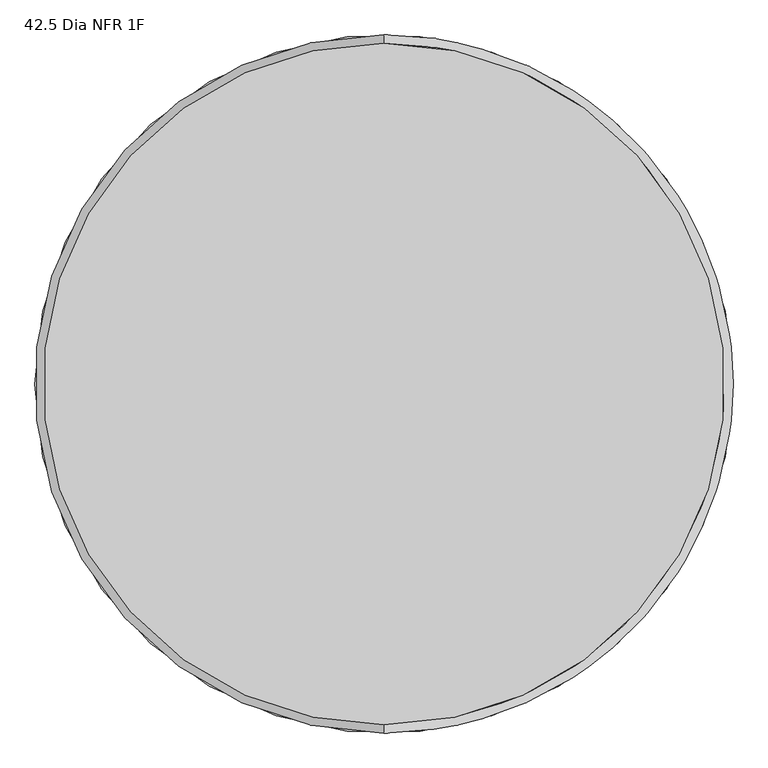
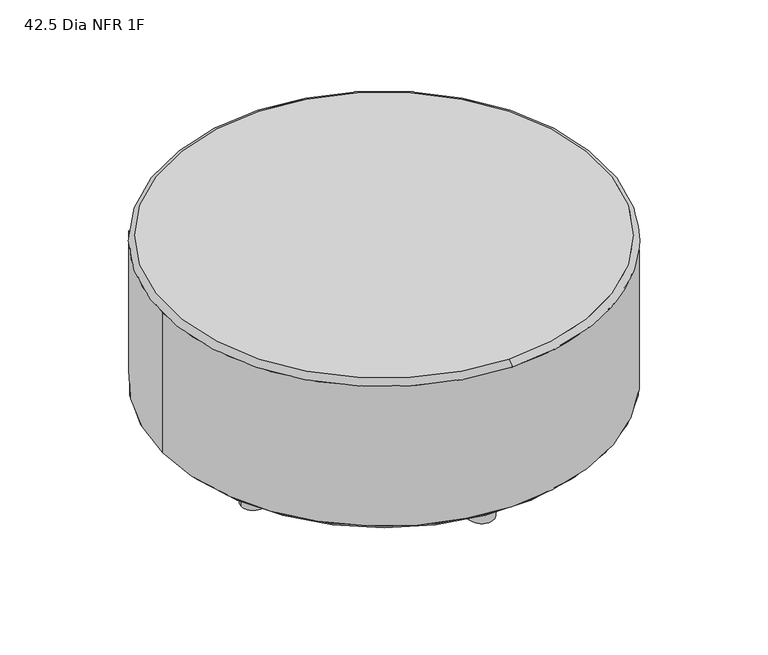
"""IFC4 building model written with IfcOpenShell, lengths in millimetres: furniture geometry, 42.5 Dia NFR 1F."""

import ifcopenshell
import ifcopenshell.guid

model = None  # the IFC model being written
_history = None  # IfcOwnerHistory: only IFC2X3 demands one
_inside = {}  # id of a spatial element -> (the spatial element, [elements in it])
_under = {}  # id of a project, library or spatial element -> (it, [spatial elements below it])
_declared = {}  # id of a project -> (the project, [libraries it declares])
_typed = {}  # id of a type object -> (the type object, [elements of that type])
_made_of = {}  # id of a material, layer set ... -> (it, [elements and type objects made of it])


def new_model(schema):
    """Start an empty IFC model of exactly this schema.

    Asked for "IFC4X3", IfcOpenShell would pick the latest addendum, in which some entities
    have other attributes; the version numbers below select the first issue.
    IFC2X3 requires an IfcOwnerHistory on every rooted entity: one is made here for all.
    """
    global model, _history
    if schema == "IFC4X3":
        model = ifcopenshell.file(schema_version=(4, 3, 0, 0))
    else:
        model = ifcopenshell.file(schema=schema)
    _inside.clear()
    _under.clear()
    _declared.clear()
    _typed.clear()
    _made_of.clear()
    _history = None
    if model.schema == "IFC2X3":
        org = make("IfcOrganization", Name="unknown")
        user = make(
            "IfcPersonAndOrganization",
            ThePerson=make("IfcPerson", FamilyName="unknown"),
            TheOrganization=org,
        )
        app = make(
            "IfcApplication",
            ApplicationDeveloper=org,
            Version="unknown",
            ApplicationFullName="unknown",
            ApplicationIdentifier="unknown",
        )
        _history = make(
            "IfcOwnerHistory",
            OwningUser=user,
            OwningApplication=app,
            ChangeAction="ADDED",
            CreationDate=0,
        )
    return model


def make(cls, **values):
    """One entity of the class cls with the attributes given. An attribute that is None is left unset."""
    return model.create_entity(
        cls, **{name: value for name, value in values.items() if value is not None}
    )


def rooted(cls, **values):
    """An entity with a GlobalId (a new one), such as an element, a storey or a relation."""
    return make(cls, GlobalId=ifcopenshell.guid.new(), OwnerHistory=_history, **values)


def si_unit(unit_type, name, prefix=None):
    """IfcSIUnit, for example si_unit("LENGTHUNIT", "METRE", prefix="MILLI")."""
    return make("IfcSIUnit", UnitType=unit_type, Prefix=prefix, Name=name)


def assignment(units):
    """IfcUnitAssignment: the units of a project."""
    return None if units is None else make("IfcUnitAssignment", Units=units)


def point(xyz):
    """IfcCartesianPoint."""
    return None if xyz is None else make("IfcCartesianPoint", Coordinates=xyz)


def direction(xyz):
    """IfcDirection."""
    return None if xyz is None else make("IfcDirection", DirectionRatios=xyz)


def frame(location, z_axis=None, x_axis=None):
    """IfcAxis2Placement3D, a coordinate frame: its origin and axes. An axis left out is left unset."""
    return make(
        "IfcAxis2Placement3D",
        Location=point(location),
        Axis=direction(z_axis),
        RefDirection=direction(x_axis),
    )


def frame_2d(location, x_axis=None):
    """IfcAxis2Placement2D, a coordinate frame in the plane: its origin and x axis."""
    return make(
        "IfcAxis2Placement2D", Location=point(location), RefDirection=direction(x_axis)
    )


def origin():
    """The frame at (0, 0, 0) with its axes left unset."""
    return frame((0.0, 0.0, 0.0))


def origin_with_axes():
    """The frame at (0, 0, 0) with the z axis (0, 0, 1) and the x axis (1, 0, 0) written out."""
    return frame((0.0, 0.0, 0.0), z_axis=(0.0, 0.0, 1.0), x_axis=(1.0, 0.0, 0.0))


def place(relative_to, where):
    """IfcLocalPlacement: puts the frame where relative to a parent placement (None: the world)."""
    return make(
        "IfcLocalPlacement", PlacementRelTo=relative_to, RelativePlacement=where
    )


def context(
    kind, dimensions, precision=None, world=None, true_north=None, identifier=None
):
    """IfcGeometricRepresentationContext, for example the 3D "Model" context."""
    return make(
        "IfcGeometricRepresentationContext",
        ContextIdentifier=identifier,
        ContextType=kind,
        CoordinateSpaceDimension=dimensions,
        Precision=precision,
        WorldCoordinateSystem=world,
        TrueNorth=true_north,
    )


def project(units=None, contexts=None):
    """IfcProject with its units and contexts."""
    return rooted(
        "IfcProject",
        Name="project",
        RepresentationContexts=contexts,
        UnitsInContext=assignment(units),
    )


def spatial(cls, under=None, at=None, **own):
    """A site, building, storey or space (cls), placed at a placement, below another one or the project."""
    s = rooted(cls, ObjectPlacement=at, **own)
    if under is not None:
        _under.setdefault(under.id(), (under, []))[1].append(s)
    return s


def polyline(points):
    """IfcPolyline through the points."""
    return make("IfcPolyline", Points=[point(p) for p in points])


def circle_curve(where, radius):
    """IfcCircle in the frame where."""
    return make("IfcCircle", Position=where, Radius=radius)


def ellipse_curve(where, semi_axis1, semi_axis2):
    """IfcEllipse in the frame where."""
    return make(
        "IfcEllipse", Position=where, SemiAxis1=semi_axis1, SemiAxis2=semi_axis2
    )


def trimmed(basis, trim1, trim2, sense, master):
    """IfcTrimmedCurve: the piece of a basis curve between two trims."""
    return make(
        "IfcTrimmedCurve",
        BasisCurve=basis,
        Trim1=trim1,
        Trim2=trim2,
        SenseAgreement=sense,
        MasterRepresentation=master,
    )


def segment(curve, same_sense, transition):
    """IfcCompositeCurveSegment."""
    return make(
        "IfcCompositeCurveSegment",
        Transition=transition,
        SameSense=same_sense,
        ParentCurve=curve,
    )


def composite_curve(segments, self_intersect=None):
    """IfcCompositeCurve: segments joined end to end."""
    return make("IfcCompositeCurve", Segments=segments, SelfIntersect=self_intersect)


def outline(outer, holes=None, kind="AREA"):
    """IfcArbitraryClosedProfileDef: a profile drawn as a closed curve; with holes, ...WithVoids."""
    if holes is None:
        return make("IfcArbitraryClosedProfileDef", ProfileType=kind, OuterCurve=outer)
    return make(
        "IfcArbitraryProfileDefWithVoids",
        ProfileType=kind,
        OuterCurve=outer,
        InnerCurves=holes,
    )


def extrude(swept, where, along, depth):
    """IfcExtrudedAreaSolid: the profile swept, set in the frame where, extruded along a direction by depth."""
    return make(
        "IfcExtrudedAreaSolid",
        SweptArea=swept,
        Position=where,
        ExtrudedDirection=direction(along),
        Depth=depth,
    )


def shape(context_of_items, identifier, shape_type, items):
    """IfcShapeRepresentation: the items that make up one representation, for example the "Body"."""
    return make(
        "IfcShapeRepresentation",
        ContextOfItems=context_of_items,
        RepresentationIdentifier=identifier,
        RepresentationType=shape_type,
        Items=items,
    )


def source(mapping_origin, context_of_items, identifier, shape_type, items):
    """IfcRepresentationMap: a shape defined once, which mapped items show again and again."""
    return make(
        "IfcRepresentationMap",
        MappingOrigin=mapping_origin,
        MappedRepresentation=shape(context_of_items, identifier, shape_type, items),
    )


def transform(
    local_origin,
    x_axis=None,
    y_axis=None,
    z_axis=None,
    scale=None,
    scale2=None,
    scale3=None,
    uniform=True,
):
    """IfcCartesianTransformationOperator3D, or its non-uniform kind. x_axis, y_axis, z_axis: its Axis1, 2, 3."""
    if uniform:
        return make(
            "IfcCartesianTransformationOperator3D",
            Axis1=direction(x_axis),
            Axis2=direction(y_axis),
            LocalOrigin=point(local_origin),
            Scale=scale,
            Axis3=direction(z_axis),
        )
    return make(
        "IfcCartesianTransformationOperator3DnonUniform",
        Axis1=direction(x_axis),
        Axis2=direction(y_axis),
        LocalOrigin=point(local_origin),
        Scale=scale,
        Axis3=direction(z_axis),
        Scale2=scale2,
        Scale3=scale3,
    )


def mapped(mapping_source, mapping_target):
    """IfcMappedItem: shows the shape of a source again, moved by a transform."""
    return make(
        "IfcMappedItem", MappingSource=mapping_source, MappingTarget=mapping_target
    )


def made_of(thing, what):
    """Note that an element or type object is made of a material, layer set ...; save() writes the relation."""
    if what is not None:
        _made_of.setdefault(what.id(), (what, []))[1].append(thing)
    return thing


def element(
    cls,
    number,
    at=None,
    inside=None,
    cuts=None,
    type_object=None,
    material=None,
    context=None,
    identifier="Body",
    shape_type=None,
    held_by="IfcProductDefinitionShape",
    body=None,
    shapes=None,
    **own,
):
    """One element of the class cls, such as IfcWall. Its Tag is "e" and its number.

    at: its placement. inside: the storey or other place that contains it. cuts: it is an
    opening in that element (IfcRelVoidsElement). A single representation is given by context,
    identifier, shape_type and body (its items); several are given by shapes. held_by: the class
    of the entity that holds the representations. save() writes the other relations.
    """
    e = rooted(cls, Tag="e%d" % number, ObjectPlacement=at, **own)
    if body is not None:
        shapes = [shape(context, identifier, shape_type, body)]
    if shapes is not None:
        e.Representation = make(held_by, Representations=shapes)
    if inside is not None:
        _inside.setdefault(inside.id(), (inside, []))[1].append(e)
    if cuts is not None:
        rooted(
            "IfcRelVoidsElement", RelatingBuildingElement=cuts, RelatedOpeningElement=e
        )
    if type_object is not None:
        _typed.setdefault(type_object.id(), (type_object, []))[1].append(e)
    return made_of(e, material)


def aggregate(whole, parts):
    """IfcRelAggregates: a whole, such as a stair, and the parts it consists of."""
    return rooted("IfcRelAggregates", RelatingObject=whole, RelatedObjects=parts)


def save(model, path):
    """Write the relations noted so far, then the file.

    IfcRelAggregates (storeys below a building ...), IfcRelContainedInSpatialStructure (elements
    in a storey), IfcRelDefinesByType, IfcRelAssociatesMaterial and IfcRelDeclares: one each for
    every whole, place, type object, material and project.
    """
    for whole, parts in _under.values():
        aggregate(whole, parts)
    for where, things in _inside.values():
        rooted(
            "IfcRelContainedInSpatialStructure",
            RelatedElements=things,
            RelatingStructure=where,
        )
    for kind, things in _typed.values():
        rooted("IfcRelDefinesByType", RelatedObjects=things, RelatingType=kind)
    for what, things in _made_of.values():
        rooted("IfcRelAssociatesMaterial", RelatedObjects=things, RelatingMaterial=what)
    for by, libraries in _declared.values():
        rooted("IfcRelDeclares", RelatingContext=by, RelatedDefinitions=libraries)
    model.write(path)


def plane_surface(at):
    """IfcPlane: the flat surface through the origin of the frame at, square to its z axis."""
    return make("IfcPlane", Position=at)


def cylinder_surface(at, radius):
    """IfcCylindricalSurface: all points at the distance radius from the z axis of the frame at."""
    return make("IfcCylindricalSurface", Position=at, Radius=radius)


def revolved_surface(curve, axis_point, axis_direction):
    """IfcSurfaceOfRevolution: the curve turned about the line through axis_point along axis_direction."""
    return make(
        "IfcSurfaceOfRevolution",
        SweptCurve=make("IfcArbitraryOpenProfileDef", ProfileType="CURVE", Curve=curve),
        AxisPosition=make("IfcAxis1Placement", Location=point(axis_point), Axis=direction(axis_direction)),
    )


def advanced_brep(points, edges, surfaces, faces):
    """IfcAdvancedBrep: a solid bounded by faces that lie on surfaces and meet in shared edges.

    An edge is (start, end): straight between two places in points (the first is 0);
    or (start, end, curve); or (start, end, curve, False) where it runs against its curve.
    A face is (place in surfaces, loops), or (place, loops, False) where it looks against
    its surface's normal. A loop lists edges by number (the first is 1), with a minus sign
    where the edge is run from its end to its start. The first loop is the outer one.
    """
    corners = [point(p) for p in points]
    vertices = [make("IfcVertexPoint", VertexGeometry=c) for c in corners]
    made = []
    for start, end, *more in edges:
        made.append(
            make(
                "IfcEdgeCurve",
                EdgeStart=vertices[start],
                EdgeEnd=vertices[end],
                EdgeGeometry=more[0] if more else make("IfcPolyline", Points=[corners[start], corners[end]]),
                SameSense=more[1] if len(more) > 1 else True,
            )
        )
    hull = []
    for where, loops, *sense in faces:
        bounds = []
        for j, loop in enumerate(loops):
            ring = [make("IfcOrientedEdge", EdgeElement=made[abs(k) - 1], Orientation=k > 0) for k in loop]
            bounds.append(
                make(
                    "IfcFaceOuterBound" if j == 0 else "IfcFaceBound",
                    Bound=make("IfcEdgeLoop", EdgeList=ring),
                    Orientation=True,
                )
            )
        hull.append(make("IfcAdvancedFace", Bounds=bounds, FaceSurface=surfaces[where], SameSense=sense[0] if sense else True))
    return make("IfcAdvancedBrep", Outer=make("IfcClosedShell", CfsFaces=hull))


def furniture_42_5_dia_nfr_1f_561221ed(model_context):
    return source(origin(), model_context, "Body", "SolidModel", [
        extrude(outline(composite_curve([segment(trimmed(circle_curve(frame_2d((241.3, 327.66)), 15.24), [point((226.06, 327.66))], [point((256.54, 327.66))], False, "CARTESIAN"), True, "CONTINUOUS"), segment(trimmed(circle_curve(frame_2d((241.3, 327.66)), 15.24), [point((256.54, 327.66))], [point((226.06, 327.66))], False, "CARTESIAN"), True, "CONTINUOUS")], self_intersect=False)), origin_with_axes(), (0.0, 0.0, 1.0), 2.2283172),
        extrude(outline(composite_curve([segment(trimmed(circle_curve(frame_2d((387.35, -127.0)), 15.24), [point((372.11, -127.0))], [point((402.59, -127.0))], False, "CARTESIAN"), True, "CONTINUOUS"), segment(trimmed(circle_curve(frame_2d((387.35, -127.0)), 15.24), [point((402.59, -127.0))], [point((372.11, -127.0))], False, "CARTESIAN"), True, "CONTINUOUS")], self_intersect=False)), origin_with_axes(), (0.0, 0.0, 1.0), 2.2283172),
        extrude(outline(composite_curve([segment(trimmed(circle_curve(frame_2d((0.0, -406.4)), 15.24), [point((-15.24, -406.4))], [point((15.24, -406.4))], False, "CARTESIAN"), True, "CONTINUOUS"), segment(trimmed(circle_curve(frame_2d((0.0, -406.4)), 15.24), [point((15.24, -406.4))], [point((-15.24, -406.4))], False, "CARTESIAN"), True, "CONTINUOUS")], self_intersect=False)), origin_with_axes(), (0.0, 0.0, 1.0), 2.2283172),
        extrude(outline(composite_curve([segment(trimmed(circle_curve(frame_2d((-387.35, -127.0)), 15.24), [point((-402.59, -127.0))], [point((-372.11, -127.0))], False, "CARTESIAN"), True, "CONTINUOUS"), segment(trimmed(circle_curve(frame_2d((-387.35, -127.0)), 15.24), [point((-372.11, -127.0))], [point((-402.59, -127.0))], False, "CARTESIAN"), True, "CONTINUOUS")], self_intersect=False)), origin_with_axes(), (0.0, 0.0, 1.0), 2.2283172),
        extrude(outline(composite_curve([segment(trimmed(circle_curve(frame_2d((-241.3, 327.66)), 15.24), [point((-256.54, 327.66))], [point((-226.06, 327.66))], False, "CARTESIAN"), True, "CONTINUOUS"), segment(trimmed(circle_curve(frame_2d((-241.3, 327.66)), 15.24), [point((-226.06, 327.66))], [point((-256.54, 327.66))], False, "CARTESIAN"), True, "CONTINUOUS")], self_intersect=False)), origin_with_axes(), (0.0, 0.0, 1.0), 2.2283172),
        advanced_brep(
        [(0.0, 520.7, 469.9), (0.0, -520.7, 469.9), (-533.4, 0.0, 101.6), (533.4, 0.0, 101.6), (533.4, 0.0, 457.2), (0.0, -533.4, 457.2), (-533.4, 0.0, 457.2), (0.0, 533.4, 457.2)],
        [
            (0, 1, circle_curve(frame((0.0, 0.0, 469.9), z_axis=(0.0, 0.0, 1.0), x_axis=(0.0, -1.0, 0.0)), 520.7)),
            (1, 0, circle_curve(frame((0.0, 0.0, 469.9), z_axis=(0.0, 0.0, 1.0), x_axis=(0.0, -1.0, 0.0)), 520.7)),
            (2, 3, circle_curve(frame((0.0, 0.0, 101.6), z_axis=(0.0, 0.0, -1.0), x_axis=(1.0, 0.0, 0.0)), 533.4)),
            (3, 2, circle_curve(frame((0.0, 0.0, 101.6), z_axis=(0.0, 0.0, -1.0), x_axis=(1.0, 0.0, 0.0)), 533.4)),
            (3, 4),
            (4, 5, circle_curve(frame((0.0, 0.0, 457.2), z_axis=(0.0, 0.0, -1.0), x_axis=(1.0, 0.0, 0.0)), 533.4)),
            (5, 6, circle_curve(frame((0.0, 0.0, 457.2), z_axis=(0.0, 0.0, -1.0), x_axis=(1.0, 0.0, 0.0)), 533.4)),
            (6, 2),
            (6, 7, circle_curve(frame((0.0, 0.0, 457.2), z_axis=(0.0, 0.0, -1.0), x_axis=(1.0, 0.0, 0.0)), 533.4)),
            (7, 4, circle_curve(frame((0.0, 0.0, 457.2), z_axis=(0.0, 0.0, -1.0), x_axis=(1.0, 0.0, 0.0)), 533.4)),
            (0, 7, circle_curve(frame((0.0, 520.7, 457.2), z_axis=(-1.0, 0.0, 0.0), x_axis=(0.0, -1.0, 0.0)), 12.7)),
            (5, 1, circle_curve(frame((0.0, -520.7, 457.2), z_axis=(-1.0, 0.0, 0.0), x_axis=(0.0, 1.0, 0.0)), 12.7)),
        ],
        [
            plane_surface(frame((533.4, 0.0, 469.9), z_axis=(0.0, 0.0, 1.0), x_axis=(0.0, 1.0, 0.0))),
            plane_surface(frame((533.4, 0.0, 101.6), z_axis=(0.0, 0.0, -1.0), x_axis=(0.0, -1.0, 0.0))),
            cylinder_surface(frame((0.0, 0.0, 101.6), z_axis=(0.0, 0.0, 1.0), x_axis=(1.0, 0.0, 0.0)), 533.4),
            revolved_surface(trimmed(ellipse_curve(frame((0.0, -520.7, 457.2), z_axis=(1.0, 0.0, 0.0), x_axis=(0.0, 1.0, 0.0)), 12.7, 12.7), [point((0.0, -520.7, 469.9))], [point((0.0, -533.4, 457.2))], True, "CARTESIAN"), (0.0, 0.0, 457.2), (0.0, 0.0, -1.0)),
        ],
        [
            (0, [[1, 2]]),
            (1, [[3, 4]]),
            (2, [[-4, 5, 6, 7, 8]]),
            (2, [[-3, -8, 9, 10, -5]]),
            (3, [[11, -9, -7, 12, -1]]),
            (3, [[-11, -2, -12, -6, -10]]),
        ],
    ),
        advanced_brep(
        [(-520.7, 0.0, 88.9), (520.7, 0.0, 88.9), (-533.4, 0.0, 101.6), (533.4, 0.0, 101.6)],
        [
            (0, 1, circle_curve(frame((0.0, 0.0, 88.9), z_axis=(0.0, 0.0, -1.0), x_axis=(-1.0, 0.0, 0.0)), 520.7)),
            (1, 0, circle_curve(frame((0.0, 0.0, 88.9), z_axis=(0.0, 0.0, -1.0), x_axis=(1.0, 0.0, 0.0)), 520.7)),
            (2, 3, circle_curve(frame((0.0, 0.0, 101.6), z_axis=(0.0, 0.0, 1.0), x_axis=(1.0, 0.0, 0.0)), 533.4)),
            (3, 2, circle_curve(frame((0.0, 0.0, 101.6), z_axis=(0.0, 0.0, 1.0), x_axis=(-1.0, 0.0, 0.0)), 533.4)),
            (2, 0),
            (1, 3),
        ],
        [
            plane_surface(frame((0.0, 0.0, 88.9), z_axis=(0.0, 0.0, -1.0), x_axis=(0.0, -1.0, 0.0))),
            plane_surface(frame((0.0, 0.0, 101.6), z_axis=(0.0, 0.0, 1.0), x_axis=(0.0, -1.0, 0.0))),
            revolved_surface(polyline([(520.7, 0.0, 88.90000000000003), (533.4, 0.0, 101.59999999999997)]), (0.0, 0.0, -431.8), (0.0, 0.0, 1.0)),
            revolved_surface(polyline([(-520.7, 0.0, 88.90000000000003), (-533.4, 0.0, 101.59999999999997)]), (0.0, 0.0, -431.8), (0.0, 0.0, 1.0)),
        ],
        [
            (0, [[1, 2]]),
            (1, [[3, 4]]),
            (2, [[-3, 5, -2, 6]]),
            (3, [[-4, -6, -1, -5]]),
        ],
    ),
        advanced_brep(
        [(357.4034, -127.0, 2.2283172), (417.2966, -127.0, 2.2283172), (352.298, -127.0, 88.9), (422.402, -127.0, 88.9)],
        [
            (0, 1, circle_curve(frame((387.35, -127.0, 2.2283172), z_axis=(0.0, 0.0, -1.0), x_axis=(-1.0, 0.0, 0.0)), 29.9466)),
            (1, 0, circle_curve(frame((387.35, -127.0, 2.2283172), z_axis=(0.0, 0.0, -1.0), x_axis=(1.0, 0.0, 0.0)), 29.9466)),
            (2, 3, circle_curve(frame((387.35, -127.0, 88.9), z_axis=(0.0, 0.0, 1.0), x_axis=(1.0, 0.0, 0.0)), 35.052)),
            (3, 2, circle_curve(frame((387.35, -127.0, 88.9), z_axis=(0.0, 0.0, 1.0), x_axis=(-1.0, 0.0, 0.0)), 35.052)),
            (2, 0),
            (1, 3),
        ],
        [
            plane_surface(frame((387.35, -127.0, 2.2283172), z_axis=(0.0, 0.0, -1.0), x_axis=(0.0, -1.0, 0.0))),
            plane_surface(frame((387.35, -127.0, 88.9), z_axis=(0.0, 0.0, 1.0), x_axis=(0.0, -1.0, 0.0))),
            revolved_surface(polyline([(417.29660000131895, -127.0, 2.2283171999999922), (422.402, -127.0, 88.89999999999998)]), (387.35, -127.0, -506.1593149), (0.0, 0.0, 1.0)),
            revolved_surface(polyline([(357.40339999868104, -127.0, 2.2283171999999922), (352.298, -127.0, 88.89999999999998)]), (387.35, -127.0, -506.1593149), (0.0, 0.0, 1.0)),
        ],
        [
            (0, [[1, 2]]),
            (1, [[3, 4]]),
            (2, [[-3, 5, -2, 6]]),
            (3, [[-4, -6, -1, -5]]),
        ],
    ),
        advanced_brep(
        [(-417.2966, -127.0, 2.237457), (-357.4034, -127.0, 2.237457), (-422.402, -127.0, 88.9), (-352.298, -127.0, 88.9)],
        [
            (0, 1, circle_curve(frame((-387.35, -127.0, 2.237457), z_axis=(0.0, 0.0, -1.0), x_axis=(-1.0, 0.0, 0.0)), 29.9466)),
            (1, 0, circle_curve(frame((-387.35, -127.0, 2.237457), z_axis=(0.0, 0.0, -1.0), x_axis=(1.0, 0.0, 0.0)), 29.9466)),
            (2, 3, circle_curve(frame((-387.35, -127.0, 88.9), z_axis=(0.0, 0.0, 1.0), x_axis=(1.0, 0.0, 0.0)), 35.052)),
            (3, 2, circle_curve(frame((-387.35, -127.0, 88.9), z_axis=(0.0, 0.0, 1.0), x_axis=(-1.0, 0.0, 0.0)), 35.052)),
            (2, 0),
            (1, 3),
        ],
        [
            plane_surface(frame((-387.35, -127.0, 2.237457), z_axis=(0.0, 0.0, -1.0), x_axis=(0.0, -1.0, 0.0))),
            plane_surface(frame((-387.35, -127.0, 88.9), z_axis=(0.0, 0.0, 1.0), x_axis=(0.0, -1.0, 0.0))),
            revolved_surface(polyline([(-357.40340000154964, -127.0, 2.2374570000000062), (-352.298, -127.0, 88.90000000000003)]), (-387.35, -127.0, -506.0965637), (0.0, 0.0, 1.0)),
            revolved_surface(polyline([(-417.29659999845035, -127.0, 2.2374570000000062), (-422.402, -127.0, 88.90000000000003)]), (-387.35, -127.0, -506.0965637), (0.0, 0.0, 1.0)),
        ],
        [
            (0, [[1, 2]]),
            (1, [[3, 4]]),
            (2, [[-3, 5, -2, 6]]),
            (3, [[-4, -6, -1, -5]]),
        ],
    ),
        advanced_brep(
        [(-29.9466, -406.4, 2.2283172), (29.9466, -406.4, 2.2283172), (-35.052, -406.4, 88.9), (35.052, -406.4, 88.9)],
        [
            (0, 1, circle_curve(frame((0.0, -406.4, 2.2283172), z_axis=(0.0, 0.0, -1.0), x_axis=(-1.0, 0.0, 0.0)), 29.9466)),
            (1, 0, circle_curve(frame((0.0, -406.4, 2.2283172), z_axis=(0.0, 0.0, -1.0), x_axis=(1.0, 0.0, 0.0)), 29.9466)),
            (2, 3, circle_curve(frame((0.0, -406.4, 88.9), z_axis=(0.0, 0.0, 1.0), x_axis=(1.0, 0.0, 0.0)), 35.052)),
            (3, 2, circle_curve(frame((0.0, -406.4, 88.9), z_axis=(0.0, 0.0, 1.0), x_axis=(-1.0, 0.0, 0.0)), 35.052)),
            (2, 0),
            (1, 3),
        ],
        [
            plane_surface(frame((0.0, -406.4, 2.2283172), z_axis=(0.0, 0.0, -1.0), x_axis=(0.0, -1.0, 0.0))),
            plane_surface(frame((0.0, -406.4, 88.9), z_axis=(0.0, 0.0, 1.0), x_axis=(0.0, -1.0, 0.0))),
            revolved_surface(polyline([(29.946600001318963, -406.4, 2.2283171999999922), (35.052, -406.4, 88.89999999999998)]), (0.0, -406.4, -506.1593149), (0.0, 0.0, 1.0)),
            revolved_surface(polyline([(-29.946600001318963, -406.4, 2.2283171999999922), (-35.052, -406.4, 88.89999999999998)]), (0.0, -406.4, -506.1593149), (0.0, 0.0, 1.0)),
        ],
        [
            (0, [[1, 2]]),
            (1, [[3, 4]]),
            (2, [[-3, 5, -2, 6]]),
            (3, [[-4, -6, -1, -5]]),
        ],
    ),
        advanced_brep(
        [(211.3534, 327.66, 2.2283172), (271.2466, 327.66, 2.2283172), (206.248, 327.66, 88.9), (276.352, 327.66, 88.9)],
        [
            (0, 1, circle_curve(frame((241.3, 327.66, 2.2283172), z_axis=(0.0, 0.0, -1.0), x_axis=(-1.0, 0.0, 0.0)), 29.9466)),
            (1, 0, circle_curve(frame((241.3, 327.66, 2.2283172), z_axis=(0.0, 0.0, -1.0), x_axis=(1.0, 0.0, 0.0)), 29.9466)),
            (2, 3, circle_curve(frame((241.3, 327.66, 88.9), z_axis=(0.0, 0.0, 1.0), x_axis=(1.0, 0.0, 0.0)), 35.052)),
            (3, 2, circle_curve(frame((241.3, 327.66, 88.9), z_axis=(0.0, 0.0, 1.0), x_axis=(-1.0, 0.0, 0.0)), 35.052)),
            (2, 0),
            (1, 3),
        ],
        [
            plane_surface(frame((241.3, 327.66, 2.2283172), z_axis=(0.0, 0.0, -1.0), x_axis=(0.0, -1.0, 0.0))),
            plane_surface(frame((241.3, 327.66, 88.9), z_axis=(0.0, 0.0, 1.0), x_axis=(0.0, -1.0, 0.0))),
            revolved_surface(polyline([(271.24660000131894, 327.66, 2.2283171999999922), (276.352, 327.66, 88.89999999999998)]), (241.3, 327.66, -506.1593149), (0.0, 0.0, 1.0)),
            revolved_surface(polyline([(211.35339999868103, 327.66, 2.2283171999999922), (206.248, 327.66, 88.89999999999998)]), (241.3, 327.66, -506.1593149), (0.0, 0.0, 1.0)),
        ],
        [
            (0, [[1, 2]]),
            (1, [[3, 4]]),
            (2, [[-3, 5, -2, 6]]),
            (3, [[-4, -6, -1, -5]]),
        ],
    ),
        advanced_brep(
        [(-271.2466, 327.66, 2.2283172), (-211.3534, 327.66, 2.2283172), (-276.352, 327.66, 88.9), (-206.248, 327.66, 88.9)],
        [
            (0, 1, circle_curve(frame((-241.3, 327.66, 2.2283172), z_axis=(0.0, 0.0, -1.0), x_axis=(-1.0, 0.0, 0.0)), 29.9466)),
            (1, 0, circle_curve(frame((-241.3, 327.66, 2.2283172), z_axis=(0.0, 0.0, -1.0), x_axis=(1.0, 0.0, 0.0)), 29.9466)),
            (2, 3, circle_curve(frame((-241.3, 327.66, 88.9), z_axis=(0.0, 0.0, 1.0), x_axis=(1.0, 0.0, 0.0)), 35.052)),
            (3, 2, circle_curve(frame((-241.3, 327.66, 88.9), z_axis=(0.0, 0.0, 1.0), x_axis=(-1.0, 0.0, 0.0)), 35.052)),
            (2, 0),
            (1, 3),
        ],
        [
            plane_surface(frame((-241.3, 327.66, 2.2283172), z_axis=(0.0, 0.0, -1.0), x_axis=(0.0, -1.0, 0.0))),
            plane_surface(frame((-241.3, 327.66, 88.9), z_axis=(0.0, 0.0, 1.0), x_axis=(0.0, -1.0, 0.0))),
            revolved_surface(polyline([(-211.35339999868103, 327.66, 2.2283171999999922), (-206.248, 327.66, 88.89999999999998)]), (-241.3, 327.66, -506.1593149), (0.0, 0.0, 1.0)),
            revolved_surface(polyline([(-271.24660000131894, 327.66, 2.2283171999999922), (-276.352, 327.66, 88.89999999999998)]), (-241.3, 327.66, -506.1593149), (0.0, 0.0, 1.0)),
        ],
        [
            (0, [[1, 2]]),
            (1, [[3, 4]]),
            (2, [[-3, 5, -2, 6]]),
            (3, [[-4, -6, -1, -5]]),
        ],
    ),
    ])


if __name__ == "__main__":
    model = new_model("IFC4")
    model_context = context("Model", 3, world=origin())
    ifc_project = project(units=[si_unit("LENGTHUNIT", "METRE", prefix="MILLI")], contexts=[model_context])
    site = spatial("IfcSite", under=ifc_project)
    building = spatial("IfcBuilding", under=site)
    placement = place(None, origin())
    furniture_42_5_dia_nfr_1f_shape = furniture_42_5_dia_nfr_1f_561221ed(model_context)
    element("IfcFurniture", 1, ObjectType="42.5 Dia NFR 1F", at=placement, inside=building, context=model_context, shape_type="MappedRepresentation", body=[
        mapped(furniture_42_5_dia_nfr_1f_shape, transform((0.0, 0.0, 0.0), x_axis=(1.0, 0.0, 0.0), y_axis=(0.0, 1.0, 0.0), z_axis=(0.0, 0.0, 1.0))),
    ])
    save(model, "model.ifc")
